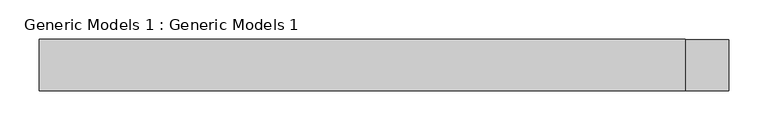
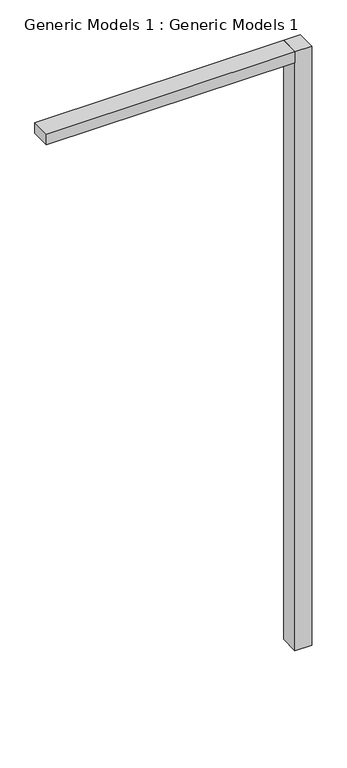
"""IFC4 building model written with IfcOpenShell, lengths in millimetres: proxy geometry, Generic Models 1 : Generic Models 1."""

from ifc_helpers import new_model, si_unit, frame, origin, place, context, project, spatial, polyline, outline, extrude, source, transform, mapped, element, save


def generic_models_1_generic_models_1_55cc9c30(model_context):
    return source(origin(), model_context, "Body", "SweptSolid", [
        extrude(outline(polyline([(-44356.1387469, 51927.4705499), (-44356.1387469, 51992.8418357), (-43536.2872041, 51992.8418357), (-43536.2872041, 51927.4705499), (-44356.1387469, 51927.4705499)])), frame((0.0, 0.0, 110337.5000795), z_axis=(0.0, 0.0, 1.0), x_axis=(1.0, 0.0, 0.0)), (0.0, 0.0, 1.0), 37.3435795),
        extrude(outline(polyline([(-43536.2872041, 51927.4705499), (-43536.2872041, 51992.4705499), (-43481.2854804, 51992.4705499), (-43481.2854804, 51927.4705499), (-43536.2872041, 51927.4705499)])), frame((0.0, 0.0, 108286.9258588), z_axis=(0.0, 0.0, 1.0), x_axis=(1.0, 0.0, 0.0)), (0.0, 0.0, 1.0), 2087.9178002),
    ])


if __name__ == "__main__":
    model = new_model("IFC4")
    model_context = context("Model", 3, world=origin())
    ifc_project = project(units=[si_unit("LENGTHUNIT", "METRE", prefix="MILLI")], contexts=[model_context])
    site = spatial("IfcSite", under=ifc_project)
    building = spatial("IfcBuilding", under=site)
    placement = place(None, origin())
    generic_models_1_generic_models_1_shape = generic_models_1_generic_models_1_55cc9c30(model_context)
    element("IfcBuildingElementProxy", 1, Name="Generic Models 1 : Generic Models 1", ObjectType="Generic Models 1 : Generic Models 1", at=placement, inside=building, context=model_context, shape_type="MappedRepresentation", body=[
        mapped(generic_models_1_generic_models_1_shape, transform((0.0, 0.0, 0.0), x_axis=(1.0, 0.0, 0.0), y_axis=(0.0, 1.0, 0.0), z_axis=(0.0, 0.0, 1.0))),
    ])
    save(model, "model.ifc")
